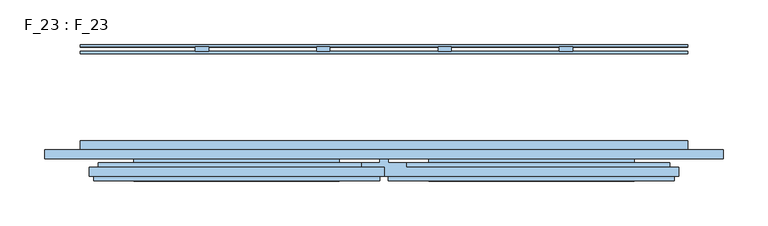
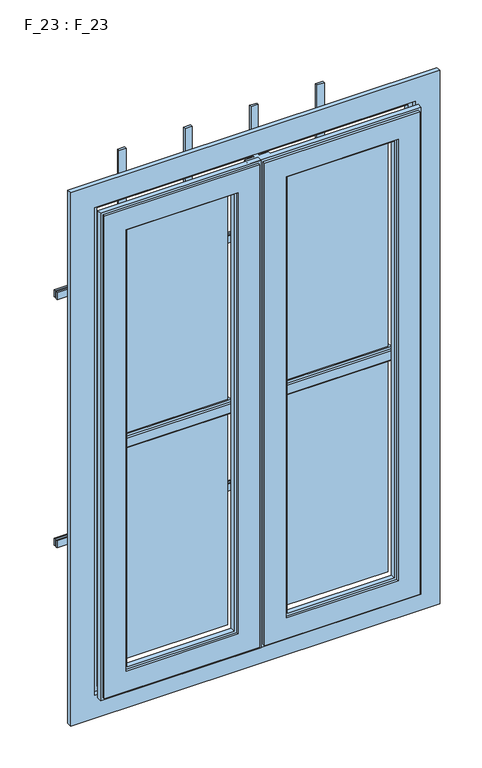
"""IFC4 building model written with IfcOpenShell, lengths in millimetres: window geometry, F_23 : F_23."""

from ifc_helpers import new_model, si_unit, frame, origin, place, context, project, spatial, polyline, outline, extrude, faceted_brep, source, transform, mapped, element, save


def f_23_f_23_ef576a56(model_context):
    return source(origin(), model_context, "Body", "SolidModel", [
        extrude(outline(polyline([(-55.0, -87.0), (-275.0, -87.0), (-275.0, -83.0), (-55.0, -83.0), (-55.0, -87.0)])), frame((0.0, 0.0, 1845.0), z_axis=(0.0, 0.0, 1.0), x_axis=(1.0, 0.0, 0.0)), (0.0, 0.0, 1.0), 460.0),
        extrude(outline(polyline([(-55.0, -87.0), (-275.0, -87.0), (-275.0, -83.0), (-55.0, -83.0), (-55.0, -87.0)])), frame((0.0, 0.0, 1355.0), z_axis=(0.0, 0.0, 1.0), x_axis=(1.0, 0.0, 0.0)), (0.0, 0.0, 1.0), 460.0),
        extrude(outline(polyline([(275.0, -87.0), (55.0, -87.0), (55.0, -83.0), (275.0, -83.0), (275.0, -87.0)])), frame((0.0, 0.0, 1355.0), z_axis=(0.0, 0.0, 1.0), x_axis=(1.0, 0.0, 0.0)), (0.0, 0.0, 1.0), 460.0),
        extrude(outline(polyline([(275.0, -87.0), (55.0, -87.0), (55.0, -83.0), (275.0, -83.0), (275.0, -87.0)])), frame((0.0, 0.0, 1845.0), z_axis=(0.0, 0.0, 1.0), x_axis=(1.0, 0.0, 0.0)), (0.0, 0.0, 1.0), 460.0),
        extrude(outline(polyline([(-196.5, 35.0), (-196.5, 30.0), (-211.5, 30.0), (-211.5, 35.0), (-196.5, 35.0)])), frame((0.0, 0.0, 1290.0), z_axis=(0.0, 0.0, 1.0), x_axis=(1.0, 0.0, 0.0)), (0.0, 0.0, 1.0), 1080.0),
        extrude(outline(polyline([(-60.5, 35.0), (-60.5, 30.0), (-75.5, 30.0), (-75.5, 35.0), (-60.5, 35.0)])), frame((0.0, 0.0, 1290.0), z_axis=(0.0, 0.0, 1.0), x_axis=(1.0, 0.0, 0.0)), (0.0, 0.0, 1.0), 1080.0),
        extrude(outline(polyline([(75.5, 35.0), (75.5, 30.0), (60.5, 30.0), (60.5, 35.0), (75.5, 35.0)])), frame((0.0, 0.0, 1290.0), z_axis=(0.0, 0.0, 1.0), x_axis=(1.0, 0.0, 0.0)), (0.0, 0.0, 1.0), 1080.0),
        extrude(outline(polyline([(211.5, 35.0), (211.5, 30.0), (196.5, 30.0), (196.5, 35.0), (211.5, 35.0)])), frame((0.0, 0.0, 1290.0), z_axis=(0.0, 0.0, 1.0), x_axis=(1.0, 0.0, 0.0)), (0.0, 0.0, 1.0), 1080.0),
        faceted_brep([(-50.0, -100.0, 2310.0), (-50.0, -95.0, 2310.0), (-50.0, -95.0, 1840.0), (-50.0, -95.0, 1820.0), (-50.0, -95.0, 1350.0), (-50.0, -100.0, 1350.0), (-10.0, -95.0, 2350.0), (-10.0, -95.0, 1310.0), (-320.0, -95.0, 1310.0), (-320.0, -95.0, 2350.0), (-280.0, -95.0, 1350.0), (-280.0, -95.0, 2310.0), (-280.0, -95.0, 1840.0), (-280.0, -95.0, 1820.0), (-280.0, -75.0, 1840.0), (-280.0, -80.0, 1840.0), (-50.0, -80.0, 1840.0), (-50.0, -75.0, 1840.0), (-280.0, -100.0, 1350.0), (-280.0, -100.0, 2310.0), (-55.0, -100.0, 1355.0), (-55.0, -100.0, 2305.0), (-275.0, -100.0, 2305.0), (-275.0, -100.0, 1355.0), (-280.0, -80.0, 1820.0), (-280.0, -75.0, 1820.0), (-50.0, -75.0, 1820.0), (-50.0, -80.0, 1820.0), (-55.0, -110.0, 2305.0), (-55.0, -110.0, 1355.0), (-280.0, -80.0, 1845.0), (-280.0, -90.0, 1845.0), (-50.0, -90.0, 1845.0), (-50.0, -80.0, 1845.0), (-50.0, -110.0, 1350.0), (-50.0, -110.0, 2310.0), (-280.0, -110.0, 2310.0), (-280.0, -110.0, 1350.0), (-275.0, -110.0, 1355.0), (-275.0, -110.0, 2305.0), (-280.0, -90.0, 1815.0), (-280.0, -80.0, 1815.0), (-50.0, -80.0, 1815.0), (-50.0, -90.0, 1815.0), (-50.0, -115.0, 2310.0), (-50.0, -115.0, 1350.0), (-280.0, -90.0, 1840.0), (-50.0, -90.0, 1840.0), (-5.0, -115.0, 1305.0), (-5.0, -115.0, 2355.0), (-325.0, -115.0, 2355.0), (-325.0, -115.0, 1305.0), (-280.0, -115.0, 1350.0), (-280.0, -115.0, 2310.0), (-280.0, -90.0, 1820.0), (-50.0, -90.0, 1820.0), (-5.0, -110.0, 2355.0), (-5.0, -110.0, 1305.0), (-325.0, -110.0, 1305.0), (0.0, -110.0, 1300.0), (0.0, -110.0, 2360.0), (-330.0, -110.0, 2360.0), (-330.0, -110.0, 1300.0), (-325.0, -110.0, 2355.0), (0.0, -100.0, 2360.0), (0.0, -100.0, 1300.0), (-330.0, -100.0, 1300.0), (-330.0, -100.0, 2360.0), (-10.0, -100.0, 1310.0), (-10.0, -100.0, 2350.0), (-320.0, -100.0, 2350.0), (-320.0, -100.0, 1310.0)], [[[0, 1, 2, 3, 4, 5]], [[6, 7, 8, 9], [10, 4, 3, 2, 1, 11, 12, 13]], [[14, 15, 16, 17]], [[0, 5, 18, 19], [20, 21, 22, 23]], [[5, 4, 10, 18]], [[24, 25, 26, 27]], [[28, 21, 20, 29]], [[30, 31, 32, 33]], [[34, 35, 36, 37], [28, 29, 38, 39]], [[29, 20, 23, 38]], [[40, 41, 42, 43]], [[44, 35, 34, 45]], [[46, 12, 2, 47]], [[48, 49, 50, 51], [44, 45, 52, 53]], [[45, 34, 37, 52]], [[13, 54, 55, 3]], [[56, 49, 48, 57]], [[57, 48, 51, 58]], [[59, 60, 61, 62], [56, 57, 58, 63]], [[64, 60, 59, 65]], [[65, 59, 62, 66]], [[64, 65, 66, 67], [68, 69, 70, 71]], [[18, 10, 13, 12, 11, 19]], [[38, 23, 22, 39]], [[52, 37, 36, 53]], [[58, 51, 50, 63]], [[66, 62, 61, 67]], [[7, 68, 71, 8]], [[8, 71, 70, 9]], [[1, 0, 19, 11]], [[21, 28, 39, 22]], [[35, 44, 53, 36]], [[49, 56, 63, 50]], [[60, 64, 67, 61]], [[69, 6, 9, 70]], [[2, 12, 13, 3]], [[6, 69, 68, 7]], [[42, 27, 26, 17, 16, 33, 32, 47, 2, 3, 55, 43]], [[41, 40, 54, 13, 12, 46, 31, 30, 15, 14, 25, 24]], [[54, 40, 43, 55]], [[31, 46, 47, 32]], [[15, 30, 33, 16]], [[25, 14, 17, 26]], [[41, 24, 27, 42]]]),
        faceted_brep([(-0.5, -75.0, 2350.0), (-0.5, -80.0, 2350.0), (-0.5, -80.0, 1310.0), (-0.5, -75.0, 1310.0), (-10.0, -80.0, 1310.0), (-10.0, -75.0, 1310.0), (-10.0, -80.0, 2350.0), (-10.0, -75.0, 2350.0)], [[[0, 1, 2, 3]], [[3, 2, 4, 5]], [[1, 6, 4, 2]], [[6, 7, 5, 4]], [[7, 0, 3, 5]], [[0, 7, 6, 1]]]),
        faceted_brep([(50.0, -95.0, 1350.0), (50.0, -100.0, 1350.0), (280.0, -100.0, 1350.0), (280.0, -95.0, 1350.0), (280.0, -80.0, 1820.0), (280.0, -80.0, 1815.0), (50.0, -80.0, 1815.0), (50.0, -80.0, 1820.0), (50.0, -95.0, 2310.0), (50.0, -100.0, 2310.0), (50.0, -95.0, 1820.0), (50.0, -95.0, 1840.0), (280.0, -75.0, 1820.0), (50.0, -75.0, 1820.0), (280.0, -100.0, 2310.0), (280.0, -95.0, 2310.0), (280.0, -95.0, 1840.0), (280.0, -95.0, 1820.0), (55.0, -100.0, 1355.0), (55.0, -110.0, 1355.0), (275.0, -110.0, 1355.0), (275.0, -100.0, 1355.0), (275.0, -110.0, 2305.0), (275.0, -100.0, 2305.0), (280.0, -90.0, 1815.0), (50.0, -90.0, 1815.0), (55.0, -100.0, 2305.0), (55.0, -110.0, 2305.0), (280.0, -80.0, 1840.0), (280.0, -75.0, 1840.0), (50.0, -75.0, 1840.0), (50.0, -80.0, 1840.0), (280.0, -90.0, 1845.0), (280.0, -80.0, 1845.0), (50.0, -80.0, 1845.0), (50.0, -90.0, 1845.0), (320.0, -100.0, 1310.0), (320.0, -95.0, 1310.0), (320.0, -95.0, 2350.0), (320.0, -100.0, 2350.0), (25.0, -100.0, 1310.0), (25.0, -95.0, 1310.0), (280.0, -90.0, 1840.0), (50.0, -90.0, 1840.0), (50.0, -110.0, 1350.0), (50.0, -115.0, 1350.0), (280.0, -115.0, 1350.0), (280.0, -110.0, 1350.0), (280.0, -115.0, 2310.0), (280.0, -110.0, 2310.0), (280.0, -90.0, 1820.0), (50.0, -90.0, 1820.0), (50.0, -110.0, 2310.0), (50.0, -115.0, 2310.0), (325.0, -115.0, 1305.0), (325.0, -110.0, 1305.0), (325.0, -110.0, 2355.0), (325.0, -115.0, 2355.0), (25.0, -100.0, 1300.0), (25.0, -95.0, 1300.0), (25.0, -95.0, 2360.0), (25.0, -100.0, 2360.0), (25.0, -100.0, 2350.0), (25.0, -95.0, 2350.0), (5.0, -115.0, 1305.0), (5.0, -110.0, 1305.0), (330.0, -100.0, 2360.0), (330.0, -100.0, 1300.0), (330.0, -110.0, 1300.0), (-20.0, -110.0, 1300.0), (-20.0, -105.0, 1300.0), (-25.0, -105.0, 1300.0), (-25.0, -95.0, 1300.0), (-5.0, -95.0, 1300.0), (-5.0, -90.0, 1300.0), (5.0, -90.0, 1300.0), (5.0, -95.0, 1300.0), (-5.0, -90.0, 2360.0), (5.0, -90.0, 2360.0), (330.0, -110.0, 2360.0), (-20.0, -110.0, 2360.0), (5.0, -110.0, 2355.0), (5.0, -95.0, 2360.0), (-20.0, -105.0, 2360.0), (-25.0, -105.0, 2360.0), (-25.0, -95.0, 2360.0), (-5.0, -95.0, 2360.0), (5.0, -115.0, 2355.0)], [[[0, 1, 2, 3]], [[4, 5, 6, 7]], [[8, 9, 1, 0, 10, 11]], [[12, 4, 7, 13]], [[3, 2, 14, 15, 16, 17]], [[18, 19, 20, 21]], [[21, 20, 22, 23]], [[5, 24, 25, 6]], [[26, 27, 19, 18]], [[28, 29, 30, 31]], [[32, 33, 34, 35]], [[29, 12, 13, 30]], [[36, 37, 38, 39]], [[37, 36, 40, 41]], [[42, 32, 35, 43]], [[44, 45, 46, 47]], [[47, 46, 48, 49]], [[50, 17, 10, 51]], [[52, 53, 45, 44]], [[16, 42, 43, 11]], [[16, 11, 10, 17]], [[54, 55, 56, 57]], [[58, 59, 41, 40]], [[60, 61, 62, 63]], [[64, 65, 55, 54]], [[36, 39, 62, 61, 66, 67, 58, 40]], [[67, 68, 69, 70, 71, 72, 73, 74, 75, 76, 59, 58]], [[77, 78, 75, 74]], [[68, 79, 80, 69], [65, 81, 56, 55]], [[78, 82, 76, 75]], [[68, 67, 66, 79]], [[80, 83, 70, 69]], [[83, 84, 71, 70]], [[84, 85, 72, 71]], [[85, 86, 73, 72]], [[86, 77, 74, 73]], [[9, 8, 15, 14]], [[27, 26, 23, 22]], [[39, 38, 63, 62]], [[53, 52, 49, 48]], [[81, 87, 57, 56]], [[79, 66, 61, 60, 82, 78, 77, 86, 85, 84, 83, 80]], [[5, 4, 12, 29, 28, 33, 32, 42, 16, 17, 50, 24]], [[33, 28, 31, 34]], [[38, 37, 41, 59, 76, 82, 60, 63], [0, 3, 17, 16, 15, 8, 11, 10]], [[24, 50, 51, 25]], [[6, 25, 51, 10, 11, 43, 35, 34, 31, 30, 13, 7]], [[1, 9, 14, 2], [26, 18, 21, 23]], [[52, 44, 47, 49], [19, 27, 22, 20]], [[87, 64, 54, 57], [45, 53, 48, 46]], [[87, 81, 65, 64]]]),
        faceted_brep([(0.5, -80.0, 2350.0), (0.5, -75.0, 2350.0), (0.5, -75.0, 1310.0), (0.5, -80.0, 1310.0), (10.0, -75.0, 1310.0), (10.0, -80.0, 1310.0), (10.0, -75.0, 2350.0), (10.0, -80.0, 2350.0)], [[[0, 1, 2, 3]], [[2, 4, 5, 3]], [[1, 6, 4, 2]], [[6, 7, 5, 4]], [[7, 0, 3, 5]], [[1, 0, 7, 6]]]),
        faceted_brep([(340.0, -70.0, 2370.0), (340.0, -80.0, 2370.0), (340.0, -80.0, 1290.0), (340.0, -70.0, 1290.0), (380.0, -80.0, 1250.0), (-380.0, -80.0, 1250.0), (-380.0, -80.0, 2410.0), (380.0, -80.0, 2410.0), (-340.0, -80.0, 2370.0), (-340.0, -80.0, 1290.0), (-340.0, -70.0, 1290.0), (-340.0, -70.0, 2370.0), (320.0, -70.0, 2350.0), (-320.0, -70.0, 2350.0), (-320.0, -70.0, 1310.0), (320.0, -70.0, 1310.0), (320.0, -80.0, 2350.0), (320.0, -80.0, 1310.0), (-320.0, -80.0, 1310.0), (330.0, -80.0, 2360.0), (-330.0, -80.0, 2360.0), (-330.0, -80.0, 1300.0), (330.0, -80.0, 1300.0), (-320.0, -80.0, 2350.0), (330.0, -90.0, 2360.0), (330.0, -90.0, 1300.0), (-330.0, -90.0, 1300.0), (380.0, -90.0, 2410.0), (-380.0, -90.0, 2410.0), (-380.0, -90.0, 1250.0), (380.0, -90.0, 1250.0), (-330.0, -90.0, 2360.0)], [[[0, 1, 2, 3]], [[4, 5, 6, 7], [1, 8, 9, 2]], [[3, 2, 9, 10]], [[3, 10, 11, 0], [12, 13, 14, 15]], [[16, 12, 15, 17]], [[17, 15, 14, 18]], [[19, 20, 21, 22], [17, 18, 23, 16]], [[24, 19, 22, 25]], [[25, 22, 21, 26]], [[27, 28, 29, 30], [25, 26, 31, 24]], [[7, 27, 30, 4]], [[4, 30, 29, 5]], [[10, 9, 8, 11]], [[18, 14, 13, 23]], [[26, 21, 20, 31]], [[5, 29, 28, 6]], [[11, 8, 1, 0]], [[23, 13, 12, 16]], [[31, 20, 19, 24]], [[6, 28, 27, 7]]]),
        extrude(outline(polyline([(-340.0, 35.0), (-340.0, 37.5), (340.0, 37.5), (340.0, 35.0), (-340.0, 35.0)])), frame((0.0, 0.0, 1552.5), z_axis=(0.0, 0.0, 1.0), x_axis=(1.0, 0.0, 0.0)), (0.0, 0.0, 1.0), 15.0),
        extrude(outline(polyline([(-340.0, 27.5), (-340.0, 30.0), (340.0, 30.0), (340.0, 27.5), (-340.0, 27.5)])), frame((0.0, 0.0, 1552.5), z_axis=(0.0, 0.0, 1.0), x_axis=(1.0, 0.0, 0.0)), (0.0, 0.0, 1.0), 15.0),
        extrude(outline(polyline([(-340.0, 35.0), (-340.0, 37.5), (340.0, 37.5), (340.0, 35.0), (-340.0, 35.0)])), frame((0.0, 0.0, 2092.5), z_axis=(0.0, 0.0, 1.0), x_axis=(1.0, 0.0, 0.0)), (0.0, 0.0, 1.0), 15.0),
        extrude(outline(polyline([(-340.0, 27.5), (-340.0, 30.0), (340.0, 30.0), (340.0, 27.5), (-340.0, 27.5)])), frame((0.0, 0.0, 2092.5), z_axis=(0.0, 0.0, 1.0), x_axis=(1.0, 0.0, 0.0)), (0.0, 0.0, 1.0), 15.0),
    ])


if __name__ == "__main__":
    model = new_model("IFC4")
    model_context = context("Model", 3, world=origin())
    ifc_project = project(units=[si_unit("LENGTHUNIT", "METRE", prefix="MILLI")], contexts=[model_context])
    site = spatial("IfcSite", under=ifc_project)
    building = spatial("IfcBuilding", under=site)
    placement = place(None, origin())
    f_23_f_23_shape = f_23_f_23_ef576a56(model_context)
    element("IfcWindow", 1, ObjectType="F_23 : F_23", at=placement, inside=building, context=model_context, shape_type="MappedRepresentation", body=[
        mapped(f_23_f_23_shape, transform((0.0, 0.0, 0.0), x_axis=(1.0, 0.0, 0.0), y_axis=(0.0, 1.0, 0.0), z_axis=(0.0, 0.0, 1.0))),
    ])
    save(model, "model.ifc")
